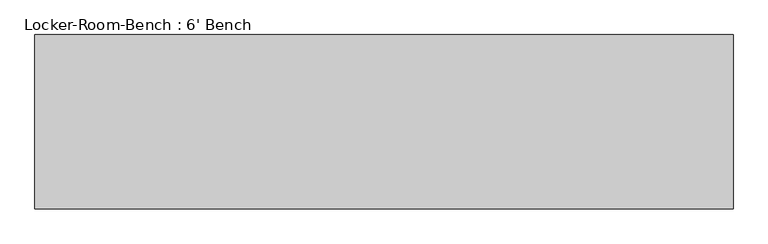
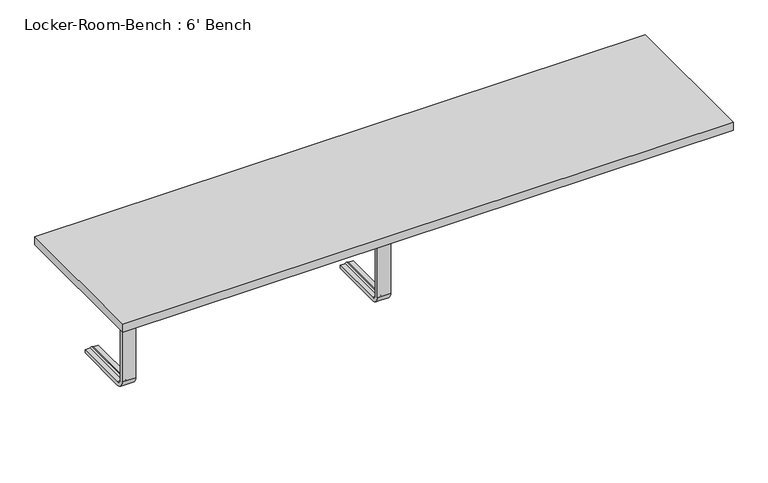
"""IFC4 building model written with IfcOpenShell, lengths in millimetres: proxy geometry, Locker-Room-Bench : 6' Bench."""

from ifc_helpers import new_model, si_unit, point, frame, origin, place, context, project, spatial, polyline, circle_curve, ellipse_curve, trimmed, outline, extrude, source, transform, mapped, element, save
from ifc_brep_helpers import plane_surface, cylinder_surface, revolved_surface, advanced_brep


def locker_room_bench_6_bench_8472a638(model_context):
    return source(origin(), model_context, "Body", "SolidModel", [
        advanced_brep(
        [(-744.4, 193.6, 381.4), (-744.4, 193.6, 371.4), (-759.4, 193.6, 371.4), (-764.4, 193.6, 369.0684617), (-769.4, 193.6, 371.4), (-784.4, 193.6, 371.4), (-784.4, 193.6, 381.4), (-784.4, 25.0, 381.4), (-744.4, 25.0, 381.4), (-784.4, 25.0, 371.4), (-784.4, 10.0, 356.4), (-784.4, 10.0, 40.0), (-784.4, 25.0, 25.0), (-784.4, 193.6, 25.0), (-784.4, 193.6, 15.0), (-784.4, 25.0, 15.0), (-784.4, 0.0, 40.0), (-784.4, 0.0, 356.4), (-769.4, 25.0, 371.4), (-764.4, 25.0, 369.0684617), (-759.4, 25.0, 371.4), (-744.4, 25.0, 371.4), (-744.4, 0.0, 356.4), (-744.4, 0.0, 40.0), (-744.4, 25.0, 15.0), (-744.4, 193.6, 15.0), (-744.4, 193.6, 25.0), (-744.4, 25.0, 25.0), (-744.4, 10.0, 40.0), (-744.4, 10.0, 356.4), (-769.4, 10.0, 356.4), (-764.4, 12.3315383, 356.4), (-759.4, 10.0, 356.4), (-769.4, 10.0, 40.0), (-764.4, 12.3315383, 40.0), (-759.4, 10.0, 40.0), (-769.4, 25.0, 25.0), (-764.4, 25.0, 27.3315383), (-759.4, 25.0, 25.0), (-769.4, 193.6, 25.0), (-764.4, 193.6, 27.3315383), (-759.4, 193.6, 25.0)],
        [
            (0, 1),
            (1, 2),
            (2, 3, circle_curve(frame((-764.1003591, 193.6, 374.9529162), z_axis=(0.0, 1.0, 0.0), x_axis=(0.0, 0.0, 1.0)), 5.8920785)),
            (3, 4, circle_curve(frame((-764.6996409, 193.6, 374.9529162), z_axis=(0.0, 1.0, 0.0), x_axis=(0.0, 0.0, 1.0)), 5.8920785)),
            (4, 5),
            (5, 6),
            (6, 0),
            (6, 7),
            (7, 8),
            (8, 0),
            (5, 9),
            (9, 10, circle_curve(frame((-784.4, 25.0, 356.4), z_axis=(1.0, 0.0, 0.0), x_axis=(0.0, 0.0, 1.0)), 15.0)),
            (10, 11),
            (11, 12, circle_curve(frame((-784.4, 25.0, 40.0), z_axis=(1.0, 0.0, 0.0), x_axis=(0.0, -1.0, 0.0)), 15.0)),
            (12, 13),
            (13, 14),
            (14, 15),
            (15, 16, circle_curve(frame((-784.4, 25.0, 40.0), z_axis=(-1.0, 0.0, 0.0), x_axis=(0.0, -1.0, 0.0)), 25.0)),
            (16, 17),
            (17, 7, circle_curve(frame((-784.4, 25.0, 356.4), z_axis=(-1.0, 0.0, 0.0), x_axis=(0.0, 0.0, 1.0)), 25.0)),
            (4, 18),
            (18, 9),
            (3, 19),
            (19, 18, circle_curve(frame((-764.6996409, 25.0, 374.9529162), z_axis=(0.0, 1.0, 0.0), x_axis=(0.0, 0.0, 1.0)), 5.8920785)),
            (2, 20),
            (20, 19, circle_curve(frame((-764.1003591, 25.0, 374.9529162), z_axis=(0.0, 1.0, 0.0), x_axis=(0.0, 0.0, 1.0)), 5.8920785)),
            (1, 21),
            (21, 20),
            (8, 22, circle_curve(frame((-744.4, 25.0, 356.4), z_axis=(1.0, 0.0, 0.0), x_axis=(0.0, 0.0, 1.0)), 25.0)),
            (22, 23),
            (23, 24, circle_curve(frame((-744.4, 25.0, 40.0), z_axis=(1.0, 0.0, 0.0), x_axis=(0.0, -1.0, 0.0)), 25.0)),
            (24, 25),
            (25, 26),
            (26, 27),
            (27, 28, circle_curve(frame((-744.4, 25.0, 40.0), z_axis=(-1.0, 0.0, 0.0), x_axis=(0.0, -1.0, 0.0)), 15.0)),
            (28, 29),
            (29, 21, circle_curve(frame((-744.4, 25.0, 356.4), z_axis=(-1.0, 0.0, 0.0), x_axis=(0.0, 0.0, 1.0)), 15.0)),
            (17, 22),
            (30, 10),
            (18, 30, circle_curve(frame((-769.4, 25.0, 356.4), z_axis=(1.0, 0.0, 0.0), x_axis=(0.0, 0.0, 1.0)), 15.0)),
            (31, 30, circle_curve(frame((-764.6996409, 6.4470838, 356.4), z_axis=(0.0, 0.0, 1.0), x_axis=(0.0, -1.0, 0.0)), 5.8920785)),
            (19, 31, circle_curve(frame((-764.4, 25.0, 356.4), z_axis=(1.0, 0.0, 0.0), x_axis=(0.0, 0.0, 1.0)), 12.6684617)),
            (32, 31, circle_curve(frame((-764.1003591, 6.4470838, 356.4), z_axis=(0.0, 0.0, 1.0), x_axis=(0.0, -1.0, 0.0)), 5.8920785)),
            (20, 32, circle_curve(frame((-759.4, 25.0, 356.4), z_axis=(1.0, 0.0, 0.0), x_axis=(0.0, 0.0, 1.0)), 15.0)),
            (29, 32),
            (16, 23),
            (30, 33),
            (33, 11),
            (31, 34),
            (34, 33, circle_curve(frame((-764.6996409, 6.4470838, 40.0), z_axis=(0.0, 0.0, 1.0), x_axis=(0.0, -1.0, 0.0)), 5.8920785)),
            (32, 35),
            (35, 34, circle_curve(frame((-764.1003591, 6.4470838, 40.0), z_axis=(0.0, 0.0, 1.0), x_axis=(0.0, -1.0, 0.0)), 5.8920785)),
            (28, 35),
            (15, 24),
            (36, 12),
            (33, 36, circle_curve(frame((-769.4, 25.0, 40.0), z_axis=(1.0, 0.0, 0.0), x_axis=(0.0, -1.0, 0.0)), 15.0)),
            (37, 36, circle_curve(frame((-764.6996409, 25.0, 21.4470838), z_axis=(0.0, -1.0, 0.0), x_axis=(0.0, 0.0, -1.0)), 5.8920785)),
            (34, 37, circle_curve(frame((-764.4, 25.0, 40.0), z_axis=(1.0, 0.0, 0.0), x_axis=(0.0, -1.0, 0.0)), 12.6684617)),
            (38, 37, circle_curve(frame((-764.1003591, 25.0, 21.4470838), z_axis=(0.0, -1.0, 0.0), x_axis=(0.0, 0.0, -1.0)), 5.8920785)),
            (35, 38, circle_curve(frame((-759.4, 25.0, 40.0), z_axis=(1.0, 0.0, 0.0), x_axis=(0.0, -1.0, 0.0)), 15.0)),
            (27, 38),
            (25, 14),
            (13, 39),
            (39, 40, circle_curve(frame((-764.6996409, 193.6, 21.4470838), z_axis=(0.0, 1.0, 0.0), x_axis=(0.0, 0.0, -1.0)), 5.8920785)),
            (40, 41, circle_curve(frame((-764.1003591, 193.6, 21.4470838), z_axis=(0.0, 1.0, 0.0), x_axis=(0.0, 0.0, -1.0)), 5.8920785)),
            (41, 26),
            (36, 39),
            (37, 40),
            (38, 41),
        ],
        [
            plane_surface(frame((-764.4, 193.6, 381.4), z_axis=(0.0, 1.0, 0.0), x_axis=(1.0, 0.0, 0.0))),
            plane_surface(frame((-744.4, 193.6, 381.4), z_axis=(0.0, 0.0, 1.0), x_axis=(0.0, -1.0, 0.0))),
            plane_surface(frame((-784.4, 193.6, 381.4), z_axis=(-1.0, 0.0, 0.0), x_axis=(0.0, -1.0, 0.0))),
            plane_surface(frame((-784.4, 193.6, 371.4), z_axis=(0.0, 0.0, -1.0), x_axis=(0.0, -1.0, 0.0))),
            cylinder_surface(frame((-764.6996409, 193.6, 374.9529162), z_axis=(0.0, 1.0, 0.0), x_axis=(0.0, 0.0, 1.0)), 5.8920785),
            cylinder_surface(frame((-764.1003591, 193.6, 374.9529162), z_axis=(0.0, 1.0, 0.0), x_axis=(0.0, 0.0, 1.0)), 5.8920785),
            plane_surface(frame((-759.4, 193.6, 371.4), z_axis=(0.0, 0.0, -1.0), x_axis=(0.0, -1.0, 0.0))),
            plane_surface(frame((-744.4, 193.6, 371.4), z_axis=(1.0, 0.0, 0.0), x_axis=(0.0, -1.0, 0.0))),
            cylinder_surface(frame((-764.4, 25.0, 356.4), z_axis=(-1.0, 0.0, 0.0), x_axis=(0.0, 0.0, 1.0)), 25.0),
            revolved_surface(polyline([(-784.4, 25.0, 371.4), (-769.4, 25.0, 371.4)]), (-764.4, 25.0, 356.4), (-1.0, 0.0, 0.0)),
            revolved_surface(trimmed(ellipse_curve(frame((-764.6996409, 25.0, 374.9529162), z_axis=(0.0, -1.0, 0.0), x_axis=(0.0, 0.0, 1.0)), 5.8920785, 5.8920785), [point((-769.4, 25.0, 371.4))], [point((-764.4, 25.0, 369.0684617))], True, "CARTESIAN"), (-764.4, 25.0, 356.4), (-1.0, 0.0, 0.0)),
            revolved_surface(trimmed(ellipse_curve(frame((-764.1003591, 25.0, 374.9529162), z_axis=(0.0, -1.0, 0.0), x_axis=(0.0, 0.0, 1.0)), 5.8920785, 5.8920785), [point((-764.4, 25.0, 369.0684617))], [point((-759.4, 25.0, 371.4))], True, "CARTESIAN"), (-764.4, 25.0, 356.4), (-1.0, 0.0, 0.0)),
            revolved_surface(polyline([(-759.4, 25.0, 371.4), (-744.4, 25.0, 371.4)]), (-764.4, 25.0, 356.4), (-1.0, 0.0, 0.0)),
            plane_surface(frame((-744.4, 0.0, 356.4), z_axis=(0.0, -1.0, 0.0), x_axis=(0.0, 0.0, -1.0))),
            plane_surface(frame((-784.4, 10.0, 356.4), z_axis=(0.0, 1.0, 0.0), x_axis=(0.0, 0.0, -1.0))),
            cylinder_surface(frame((-764.6996409, 6.4470838, 356.4), z_axis=(0.0, 0.0, 1.0), x_axis=(0.0, -1.0, 0.0)), 5.8920785),
            cylinder_surface(frame((-764.1003591, 6.4470838, 356.4), z_axis=(0.0, 0.0, 1.0), x_axis=(0.0, -1.0, 0.0)), 5.8920785),
            plane_surface(frame((-759.4, 10.0, 356.4), z_axis=(0.0, 1.0, 0.0), x_axis=(0.0, 0.0, -1.0))),
            cylinder_surface(frame((-764.4, 25.0, 40.0), z_axis=(-1.0, 0.0, 0.0), x_axis=(0.0, -1.0, 0.0)), 25.0),
            revolved_surface(polyline([(-784.4, 10.0, 40.0), (-769.4, 10.0, 40.0)]), (-764.4, 25.0, 40.0), (-1.0, 0.0, 0.0)),
            revolved_surface(trimmed(ellipse_curve(frame((-764.6996409, 6.4470838, 40.0), z_axis=(0.0, 0.0, -1.0), x_axis=(0.0, -1.0, 0.0)), 5.8920785, 5.8920785), [point((-769.4, 10.0, 40.0))], [point((-764.4, 12.3315383, 40.0))], True, "CARTESIAN"), (-764.4, 25.0, 40.0), (-1.0, 0.0, 0.0)),
            revolved_surface(trimmed(ellipse_curve(frame((-764.1003591, 6.4470838, 40.0), z_axis=(0.0, 0.0, -1.0), x_axis=(0.0, -1.0, 0.0)), 5.8920785, 5.8920785), [point((-764.4, 12.3315383, 40.0))], [point((-759.4, 10.0, 40.0))], True, "CARTESIAN"), (-764.4, 25.0, 40.0), (-1.0, 0.0, 0.0)),
            revolved_surface(polyline([(-759.4, 10.0, 40.0), (-744.4, 10.0, 40.0)]), (-764.4, 25.0, 40.0), (-1.0, 0.0, 0.0)),
            plane_surface(frame((-764.4, 193.6, 15.0), z_axis=(0.0, 1.0, 0.0), x_axis=(1.0, 0.0, 0.0))),
            plane_surface(frame((-744.4, 25.0, 15.0), z_axis=(0.0, 0.0, -1.0), x_axis=(0.0, 1.0, 0.0))),
            plane_surface(frame((-784.4, 25.0, 25.0), z_axis=(0.0, 0.0, 1.0), x_axis=(0.0, 1.0, 0.0))),
            cylinder_surface(frame((-764.6996409, 25.0, 21.4470838), z_axis=(0.0, -1.0, 0.0), x_axis=(0.0, 0.0, -1.0)), 5.8920785),
            cylinder_surface(frame((-764.1003591, 25.0, 21.4470838), z_axis=(0.0, -1.0, 0.0), x_axis=(0.0, 0.0, -1.0)), 5.8920785),
            plane_surface(frame((-759.4, 25.0, 25.0), z_axis=(0.0, 0.0, 1.0), x_axis=(0.0, 1.0, 0.0))),
        ],
        [
            (0, [[1, 2, 3, 4, 5, 6, 7]]),
            (1, [[8, 9, 10, -7]]),
            (2, [[11, 12, 13, 14, 15, 16, 17, 18, 19, 20, -8, -6]]),
            (3, [[21, 22, -11, -5]]),
            (4, [[23, 24, -21, -4]]),
            (5, [[25, 26, -23, -3]]),
            (6, [[27, 28, -25, -2]]),
            (7, [[-10, 29, 30, 31, 32, 33, 34, 35, 36, 37, -27, -1]]),
            (8, [[38, -29, -9, -20]]),
            (9, [[39, -12, -22, 40]]),
            (10, [[41, -40, -24, 42]]),
            (11, [[43, -42, -26, 44]]),
            (12, [[45, -44, -28, -37]]),
            (13, [[-19, 46, -30, -38]]),
            (14, [[47, 48, -13, -39]]),
            (15, [[49, 50, -47, -41]]),
            (16, [[51, 52, -49, -43]]),
            (17, [[-36, 53, -51, -45]]),
            (18, [[54, -31, -46, -18]]),
            (19, [[55, -14, -48, 56]]),
            (20, [[57, -56, -50, 58]]),
            (21, [[59, -58, -52, 60]]),
            (22, [[61, -60, -53, -35]]),
            (23, [[62, -16, 63, 64, 65, 66, -33]]),
            (24, [[-17, -62, -32, -54]]),
            (25, [[67, -63, -15, -55]]),
            (26, [[68, -64, -67, -57]]),
            (27, [[69, -65, -68, -59]]),
            (28, [[-34, -66, -69, -61]]),
        ],
    ),
        advanced_brep(
        [(20.0, 193.6, 381.4), (20.0, 193.6, 371.4), (5.0, 193.6, 371.4), (0.0, 193.6, 369.0684617), (-5.0, 193.6, 371.4), (-20.0, 193.6, 371.4), (-20.0, 193.6, 381.4), (-20.0, 25.0, 381.4), (20.0, 25.0, 381.4), (-20.0, 25.0, 371.4), (-20.0, 10.0, 356.4), (-20.0, 10.0, 40.0), (-20.0, 25.0, 25.0), (-20.0, 193.6, 25.0), (-20.0, 193.6, 15.0), (-20.0, 25.0, 15.0), (-20.0, 0.0, 40.0), (-20.0, 0.0, 356.4), (-5.0, 25.0, 371.4), (0.0, 25.0, 369.0684617), (5.0, 25.0, 371.4), (20.0, 25.0, 371.4), (20.0, 0.0, 356.4), (20.0, 0.0, 40.0), (20.0, 25.0, 15.0), (20.0, 193.6, 15.0), (20.0, 193.6, 25.0), (20.0, 25.0, 25.0), (20.0, 10.0, 40.0), (20.0, 10.0, 356.4), (-5.0, 10.0, 356.4), (0.0, 12.3315383, 356.4), (5.0, 10.0, 356.4), (-5.0, 10.0, 40.0), (0.0, 12.3315383, 40.0), (5.0, 10.0, 40.0), (-5.0, 25.0, 25.0), (0.0, 25.0, 27.3315383), (5.0, 25.0, 25.0), (-5.0, 193.6, 25.0), (0.0, 193.6, 27.3315383), (5.0, 193.6, 25.0)],
        [
            (0, 1),
            (1, 2),
            (2, 3, circle_curve(frame((0.2996409, 193.6, 374.9529162), z_axis=(0.0, 1.0, 0.0), x_axis=(0.0, 0.0, 1.0)), 5.8920785)),
            (3, 4, circle_curve(frame((-0.2996409, 193.6, 374.9529162), z_axis=(0.0, 1.0, 0.0), x_axis=(0.0, 0.0, 1.0)), 5.8920785)),
            (4, 5),
            (5, 6),
            (6, 0),
            (6, 7),
            (7, 8),
            (8, 0),
            (5, 9),
            (9, 10, circle_curve(frame((-20.0, 25.0, 356.4), z_axis=(1.0, 0.0, 0.0), x_axis=(0.0, 0.0, 1.0)), 15.0)),
            (10, 11),
            (11, 12, circle_curve(frame((-20.0, 25.0, 40.0), z_axis=(1.0, 0.0, 0.0), x_axis=(0.0, -1.0, 0.0)), 15.0)),
            (12, 13),
            (13, 14),
            (14, 15),
            (15, 16, circle_curve(frame((-20.0, 25.0, 40.0), z_axis=(-1.0, 0.0, 0.0), x_axis=(0.0, -1.0, 0.0)), 25.0)),
            (16, 17),
            (17, 7, circle_curve(frame((-20.0, 25.0, 356.4), z_axis=(-1.0, 0.0, 0.0), x_axis=(0.0, 0.0, 1.0)), 25.0)),
            (4, 18),
            (18, 9),
            (3, 19),
            (19, 18, circle_curve(frame((-0.2996409, 25.0, 374.9529162), z_axis=(0.0, 1.0, 0.0), x_axis=(0.0, 0.0, 1.0)), 5.8920785)),
            (2, 20),
            (20, 19, circle_curve(frame((0.2996409, 25.0, 374.9529162), z_axis=(0.0, 1.0, 0.0), x_axis=(0.0, 0.0, 1.0)), 5.8920785)),
            (1, 21),
            (21, 20),
            (8, 22, circle_curve(frame((20.0, 25.0, 356.4), z_axis=(1.0, 0.0, 0.0), x_axis=(0.0, 0.0, 1.0)), 25.0)),
            (22, 23),
            (23, 24, circle_curve(frame((20.0, 25.0, 40.0), z_axis=(1.0, 0.0, 0.0), x_axis=(0.0, -1.0, 0.0)), 25.0)),
            (24, 25),
            (25, 26),
            (26, 27),
            (27, 28, circle_curve(frame((20.0, 25.0, 40.0), z_axis=(-1.0, 0.0, 0.0), x_axis=(0.0, -1.0, 0.0)), 15.0)),
            (28, 29),
            (29, 21, circle_curve(frame((20.0, 25.0, 356.4), z_axis=(-1.0, 0.0, 0.0), x_axis=(0.0, 0.0, 1.0)), 15.0)),
            (17, 22),
            (30, 10),
            (18, 30, circle_curve(frame((-5.0, 25.0, 356.4), z_axis=(1.0, 0.0, 0.0), x_axis=(0.0, 0.0, 1.0)), 15.0)),
            (31, 30, circle_curve(frame((-0.2996409, 6.4470838, 356.4), z_axis=(0.0, 0.0, 1.0), x_axis=(0.0, -1.0, 0.0)), 5.8920785)),
            (19, 31, circle_curve(frame((0.0, 25.0, 356.4), z_axis=(1.0, 0.0, 0.0), x_axis=(0.0, 0.0, 1.0)), 12.6684617)),
            (32, 31, circle_curve(frame((0.2996409, 6.4470838, 356.4), z_axis=(0.0, 0.0, 1.0), x_axis=(0.0, -1.0, 0.0)), 5.8920785)),
            (20, 32, circle_curve(frame((5.0, 25.0, 356.4), z_axis=(1.0, 0.0, 0.0), x_axis=(0.0, 0.0, 1.0)), 15.0)),
            (29, 32),
            (16, 23),
            (30, 33),
            (33, 11),
            (31, 34),
            (34, 33, circle_curve(frame((-0.2996409, 6.4470838, 40.0), z_axis=(0.0, 0.0, 1.0), x_axis=(0.0, -1.0, 0.0)), 5.8920785)),
            (32, 35),
            (35, 34, circle_curve(frame((0.2996409, 6.4470838, 40.0), z_axis=(0.0, 0.0, 1.0), x_axis=(0.0, -1.0, 0.0)), 5.8920785)),
            (28, 35),
            (15, 24),
            (36, 12),
            (33, 36, circle_curve(frame((-5.0, 25.0, 40.0), z_axis=(1.0, 0.0, 0.0), x_axis=(0.0, -1.0, 0.0)), 15.0)),
            (37, 36, circle_curve(frame((-0.2996409, 25.0, 21.4470838), z_axis=(0.0, -1.0, 0.0), x_axis=(0.0, 0.0, -1.0)), 5.8920785)),
            (34, 37, circle_curve(frame((0.0, 25.0, 40.0), z_axis=(1.0, 0.0, 0.0), x_axis=(0.0, -1.0, 0.0)), 12.6684617)),
            (38, 37, circle_curve(frame((0.2996409, 25.0, 21.4470838), z_axis=(0.0, -1.0, 0.0), x_axis=(0.0, 0.0, -1.0)), 5.8920785)),
            (35, 38, circle_curve(frame((5.0, 25.0, 40.0), z_axis=(1.0, 0.0, 0.0), x_axis=(0.0, -1.0, 0.0)), 15.0)),
            (27, 38),
            (25, 14),
            (13, 39),
            (39, 40, circle_curve(frame((-0.2996409, 193.6, 21.4470838), z_axis=(0.0, 1.0, 0.0), x_axis=(0.0, 0.0, -1.0)), 5.8920785)),
            (40, 41, circle_curve(frame((0.2996409, 193.6, 21.4470838), z_axis=(0.0, 1.0, 0.0), x_axis=(0.0, 0.0, -1.0)), 5.8920785)),
            (41, 26),
            (36, 39),
            (37, 40),
            (38, 41),
        ],
        [
            plane_surface(frame((0.0, 193.6, 381.4), z_axis=(0.0, 1.0, 0.0), x_axis=(1.0, 0.0, 0.0))),
            plane_surface(frame((20.0, 193.6, 381.4), z_axis=(0.0, 0.0, 1.0), x_axis=(0.0, -1.0, 0.0))),
            plane_surface(frame((-20.0, 193.6, 381.4), z_axis=(-1.0, 0.0, 0.0), x_axis=(0.0, -1.0, 0.0))),
            plane_surface(frame((-20.0, 193.6, 371.4), z_axis=(0.0, 0.0, -1.0), x_axis=(0.0, -1.0, 0.0))),
            cylinder_surface(frame((-0.2996409, 193.6, 374.9529162), z_axis=(0.0, 1.0, 0.0), x_axis=(0.0, 0.0, 1.0)), 5.8920785),
            cylinder_surface(frame((0.2996409, 193.6, 374.9529162), z_axis=(0.0, 1.0, 0.0), x_axis=(0.0, 0.0, 1.0)), 5.8920785),
            plane_surface(frame((5.0, 193.6, 371.4), z_axis=(0.0, 0.0, -1.0), x_axis=(0.0, -1.0, 0.0))),
            plane_surface(frame((20.0, 193.6, 371.4), z_axis=(1.0, 0.0, 0.0), x_axis=(0.0, -1.0, 0.0))),
            cylinder_surface(frame((0.0, 25.0, 356.4), z_axis=(-1.0, 0.0, 0.0), x_axis=(0.0, 0.0, 1.0)), 25.0),
            revolved_surface(polyline([(-20.0, 25.0, 371.4), (-5.0, 25.0, 371.4)]), (0.0, 25.0, 356.4), (-1.0, 0.0, 0.0)),
            revolved_surface(trimmed(ellipse_curve(frame((-0.2996409, 25.0, 374.9529162), z_axis=(0.0, -1.0, 0.0), x_axis=(0.0, 0.0, 1.0)), 5.8920785, 5.8920785), [point((-5.0, 25.0, 371.4))], [point((0.0, 25.0, 369.0684617))], True, "CARTESIAN"), (0.0, 25.0, 356.4), (-1.0, 0.0, 0.0)),
            revolved_surface(trimmed(ellipse_curve(frame((0.2996409, 25.0, 374.9529162), z_axis=(0.0, -1.0, 0.0), x_axis=(0.0, 0.0, 1.0)), 5.8920785, 5.8920785), [point((0.0, 25.0, 369.0684617))], [point((5.0, 25.0, 371.4))], True, "CARTESIAN"), (0.0, 25.0, 356.4), (-1.0, 0.0, 0.0)),
            revolved_surface(polyline([(5.0, 25.0, 371.4), (20.0, 25.0, 371.4)]), (0.0, 25.0, 356.4), (-1.0, 0.0, 0.0)),
            plane_surface(frame((20.0, 0.0, 356.4), z_axis=(0.0, -1.0, 0.0), x_axis=(0.0, 0.0, -1.0))),
            plane_surface(frame((-20.0, 10.0, 356.4), z_axis=(0.0, 1.0, 0.0), x_axis=(0.0, 0.0, -1.0))),
            cylinder_surface(frame((-0.2996409, 6.4470838, 356.4), z_axis=(0.0, 0.0, 1.0), x_axis=(0.0, -1.0, 0.0)), 5.8920785),
            cylinder_surface(frame((0.2996409, 6.4470838, 356.4), z_axis=(0.0, 0.0, 1.0), x_axis=(0.0, -1.0, 0.0)), 5.8920785),
            plane_surface(frame((5.0, 10.0, 356.4), z_axis=(0.0, 1.0, 0.0), x_axis=(0.0, 0.0, -1.0))),
            cylinder_surface(frame((0.0, 25.0, 40.0), z_axis=(-1.0, 0.0, 0.0), x_axis=(0.0, -1.0, 0.0)), 25.0),
            revolved_surface(polyline([(-20.0, 10.0, 40.0), (-5.0, 10.0, 40.0)]), (0.0, 25.0, 40.0), (-1.0, 0.0, 0.0)),
            revolved_surface(trimmed(ellipse_curve(frame((-0.2996409, 6.4470838, 40.0), z_axis=(0.0, 0.0, -1.0), x_axis=(0.0, -1.0, 0.0)), 5.8920785, 5.8920785), [point((-5.0, 10.0, 40.0))], [point((0.0, 12.3315383, 40.0))], True, "CARTESIAN"), (0.0, 25.0, 40.0), (-1.0, 0.0, 0.0)),
            revolved_surface(trimmed(ellipse_curve(frame((0.2996409, 6.4470838, 40.0), z_axis=(0.0, 0.0, -1.0), x_axis=(0.0, -1.0, 0.0)), 5.8920785, 5.8920785), [point((0.0, 12.3315383, 40.0))], [point((5.0, 10.0, 40.0))], True, "CARTESIAN"), (0.0, 25.0, 40.0), (-1.0, 0.0, 0.0)),
            revolved_surface(polyline([(5.0, 10.0, 40.0), (20.0, 10.0, 40.0)]), (0.0, 25.0, 40.0), (-1.0, 0.0, 0.0)),
            plane_surface(frame((0.0, 193.6, 15.0), z_axis=(0.0, 1.0, 0.0), x_axis=(1.0, 0.0, 0.0))),
            plane_surface(frame((20.0, 25.0, 15.0), z_axis=(0.0, 0.0, -1.0), x_axis=(0.0, 1.0, 0.0))),
            plane_surface(frame((-20.0, 25.0, 25.0), z_axis=(0.0, 0.0, 1.0), x_axis=(0.0, 1.0, 0.0))),
            cylinder_surface(frame((-0.2996409, 25.0, 21.4470838), z_axis=(0.0, -1.0, 0.0), x_axis=(0.0, 0.0, -1.0)), 5.8920785),
            cylinder_surface(frame((0.2996409, 25.0, 21.4470838), z_axis=(0.0, -1.0, 0.0), x_axis=(0.0, 0.0, -1.0)), 5.8920785),
            plane_surface(frame((5.0, 25.0, 25.0), z_axis=(0.0, 0.0, 1.0), x_axis=(0.0, 1.0, 0.0))),
        ],
        [
            (0, [[1, 2, 3, 4, 5, 6, 7]]),
            (1, [[8, 9, 10, -7]]),
            (2, [[11, 12, 13, 14, 15, 16, 17, 18, 19, 20, -8, -6]]),
            (3, [[21, 22, -11, -5]]),
            (4, [[23, 24, -21, -4]]),
            (5, [[25, 26, -23, -3]]),
            (6, [[27, 28, -25, -2]]),
            (7, [[-10, 29, 30, 31, 32, 33, 34, 35, 36, 37, -27, -1]]),
            (8, [[38, -29, -9, -20]]),
            (9, [[39, -12, -22, 40]]),
            (10, [[41, -40, -24, 42]]),
            (11, [[43, -42, -26, 44]]),
            (12, [[45, -44, -28, -37]]),
            (13, [[-19, 46, -30, -38]]),
            (14, [[47, 48, -13, -39]]),
            (15, [[49, 50, -47, -41]]),
            (16, [[51, 52, -49, -43]]),
            (17, [[-36, 53, -51, -45]]),
            (18, [[54, -31, -46, -18]]),
            (19, [[55, -14, -48, 56]]),
            (20, [[57, -56, -50, 58]]),
            (21, [[59, -58, -52, 60]]),
            (22, [[61, -60, -53, -35]]),
            (23, [[62, -16, 63, 64, 65, 66, -33]]),
            (24, [[-17, -62, -32, -54]]),
            (25, [[67, -63, -15, -55]]),
            (26, [[68, -64, -67, -57]]),
            (27, [[69, -65, -68, -59]]),
            (28, [[-34, -66, -69, -61]]),
        ],
    ),
        extrude(outline(polyline([(914.4, -228.6), (-914.4, -228.6), (-914.4, 228.6), (914.4, 228.6), (914.4, -228.6)])), frame((0.0, 0.0, 381.4), z_axis=(0.0, 0.0, 1.0), x_axis=(1.0, 0.0, 0.0)), (0.0, 0.0, 1.0), 25.0),
    ])


if __name__ == "__main__":
    model = new_model("IFC4")
    model_context = context("Model", 3, world=origin())
    ifc_project = project(units=[si_unit("LENGTHUNIT", "METRE", prefix="MILLI")], contexts=[model_context])
    site = spatial("IfcSite", under=ifc_project)
    building = spatial("IfcBuilding", under=site)
    placement = place(None, origin())
    locker_room_bench_6_bench_shape = locker_room_bench_6_bench_8472a638(model_context)
    element("IfcBuildingElementProxy", 1, Name="Locker-Room-Bench : 6' Bench", ObjectType="Locker-Room-Bench : 6' Bench", at=placement, inside=building, context=model_context, shape_type="MappedRepresentation", body=[
        mapped(locker_room_bench_6_bench_shape, transform((0.0, 0.0, 0.0), x_axis=(1.0, 0.0, 0.0), y_axis=(0.0, 1.0, 0.0), z_axis=(0.0, 0.0, 1.0))),
    ])
    save(model, "model.ifc")
